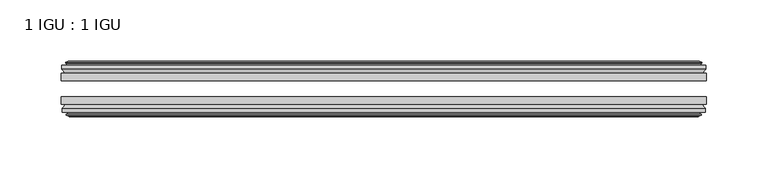
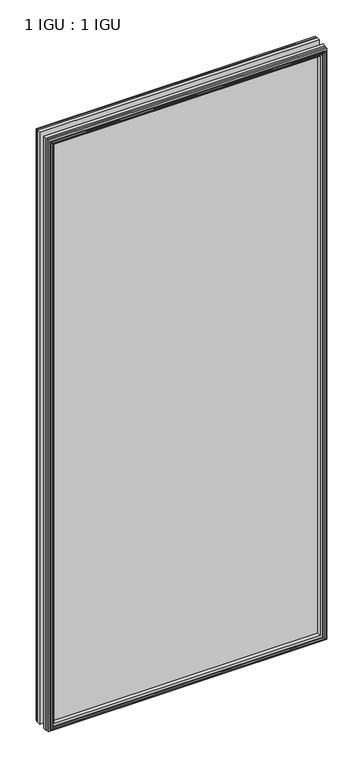
"""IFC4 building model written with IfcOpenShell, lengths in millimetres: plate geometry, 1 IGU : 1 IGU."""

from ifc_helpers import new_model, si_unit, frame, origin, place, context, project, spatial, polyline, outline, extrude, faceted_brep, source, transform, mapped, element, save


def plate_1_igu_1_igu_752a47df(model_context):
    return source(origin(), model_context, "Body", "SolidModel", [
        extrude(outline(polyline([(263.525, -25.8960937), (263.525, -32.2460938), (-263.525, -32.2460938), (-263.525, -25.8960937), (263.525, -25.8960937)])), frame((0.0, 0.0, -12.7), z_axis=(0.0, 0.0, 1.0), x_axis=(1.0, 0.0, 0.0)), (0.0, 0.0, 1.0), 1181.1),
        extrude(outline(polyline([(-263.525, -51.2960938), (-263.525, -45.2686737), (263.525, -45.2686737), (263.525, -51.2960938), (-263.525, -51.2960938)])), frame((0.0, 0.0, -12.7), z_axis=(0.0, 0.0, 1.0), x_axis=(1.0, 0.0, 0.0)), (0.0, 0.0, 1.0), 1181.1),
        faceted_brep([(-257.937, -60.0262907, 1162.812), (-258.318, -57.6460937, 1163.193), (-258.318, -57.6460937, -7.493), (-257.937, -60.0262907, -7.112), (-259.352529, -59.5663575, 1164.2275291), (-259.352529, -59.5663575, -8.5275291), (-259.352529, -60.3675717, 1164.2275291), (-259.352529, -60.3675717, -8.5275291), (-257.175, -61.0750937, 1162.05), (-257.175, -61.0750937, -6.35), (-254.9974709, -60.3675717, 1159.872471), (-254.9974709, -60.3675717, -4.1724709), (-254.9974709, -59.5663575, 1159.872471), (-254.9974709, -59.5663575, -4.1724709), (-256.413, -60.0262907, 1161.288), (-256.413, -60.0262907, -5.588), (-256.032, -57.6460937, 1160.907), (-256.032, -57.6460937, -5.207), (-249.1072819, -51.2960937, 1153.9822819), (-250.825, -57.6460937, 1155.7), (-250.825, -57.6460937, 0.0), (-249.1072819, -51.2960937, 1.7177181), (-262.763, -54.6996937, 1167.638), (-259.9286578, -51.2960937, 1164.8036578), (-259.9286578, -51.2960937, -9.1036578), (-262.763, -54.6996937, -11.938), (-262.763, -57.6460937, 1167.638), (-262.763, -57.6460937, -11.938), (258.318, -57.6460938, -7.493), (257.937, -60.0262907, -7.112), (259.352529, -59.5663575, -8.5275291), (259.352529, -60.3675717, -8.5275291), (257.175, -61.0750937, -6.35), (254.9974709, -60.3675717, -4.1724709), (254.9974709, -59.5663575, -4.1724709), (256.413, -60.0262907, -5.588), (256.032, -57.6460937, -5.207), (250.825, -57.6460937, 0.0), (249.1072819, -51.2960937, 1.7177181), (259.9286578, -51.2960937, -9.1036578), (262.763, -54.6996937, -11.938), (262.763, -57.6460938, -11.938), (258.318, -57.6460938, 1163.193), (257.937, -60.0262907, 1162.812), (259.352529, -59.5663575, 1164.2275291), (259.352529, -60.3675717, 1164.2275291), (257.175, -61.0750937, 1162.05), (254.9974709, -60.3675717, 1159.872471), (254.9974709, -59.5663575, 1159.872471), (256.413, -60.0262907, 1161.288), (256.032, -57.6460937, 1160.907), (250.825, -57.6460937, 1155.7), (249.1072819, -51.2960937, 1153.9822819), (259.9286578, -51.2960937, 1164.8036578), (262.763, -54.6996937, 1167.638), (262.763, -57.6460938, 1167.638)], [[[0, 1, 2, 3]], [[4, 0, 3, 5]], [[6, 4, 5, 7]], [[8, 6, 7, 9]], [[10, 8, 9, 11]], [[12, 10, 11, 13]], [[14, 12, 13, 15]], [[16, 14, 15, 17]], [[18, 19, 20, 21]], [[22, 23, 24, 25]], [[26, 22, 25, 27]], [[3, 2, 28, 29]], [[5, 3, 29, 30]], [[7, 5, 30, 31]], [[9, 7, 31, 32]], [[11, 9, 32, 33]], [[13, 11, 33, 34]], [[15, 13, 34, 35]], [[17, 15, 35, 36]], [[21, 20, 37, 38]], [[25, 24, 39, 40]], [[27, 25, 40, 41]], [[29, 28, 42, 43]], [[30, 29, 43, 44]], [[31, 30, 44, 45]], [[32, 31, 45, 46]], [[33, 32, 46, 47]], [[34, 33, 47, 48]], [[35, 34, 48, 49]], [[36, 35, 49, 50]], [[38, 37, 51, 52]], [[40, 39, 53, 54]], [[41, 40, 54, 55]], [[27, 41, 55, 26], [1, 42, 28, 2]], [[43, 42, 1, 0]], [[44, 43, 0, 4]], [[45, 44, 4, 6]], [[46, 45, 6, 8]], [[47, 46, 8, 10]], [[48, 47, 10, 12]], [[49, 48, 12, 14]], [[50, 49, 14, 16]], [[17, 36, 50, 16], [19, 51, 37, 20]], [[52, 51, 19, 18]], [[23, 53, 39, 24], [21, 38, 52, 18]], [[54, 53, 23, 22]], [[55, 54, 22, 26]]]),
        faceted_brep([(-260.4493578, -25.8960937, 1165.3243578), (-263.2837, -22.4924937, 1168.1587), (-263.2837, -22.4924937, -12.4587), (-260.4493578, -25.8960937, -9.6243578), (-251.3457, -19.5460937, 1156.2207), (-249.6279819, -25.8960937, 1154.5029819), (-249.6279819, -25.8960937, 1.1970181), (-251.3457, -19.5460937, -0.5207), (-256.9337, -17.1658968, 1161.8087), (-256.5527, -19.5460937, 1161.4277), (-256.5527, -19.5460937, -5.7277), (-256.9337, -17.1658968, -6.1087), (-255.5181709, -17.62583, 1160.393171), (-255.5181709, -17.62583, -4.6931709), (-255.5181709, -16.8246158, 1160.393171), (-255.5181709, -16.8246158, -4.6931709), (-257.6957, -16.1170937, 1162.5707), (-257.6957, -16.1170937, -6.8707), (-259.873229, -16.8246158, 1164.7482291), (-259.873229, -16.8246158, -9.0482291), (-259.873229, -17.62583, 1164.7482291), (-259.873229, -17.62583, -9.0482291), (-258.4577, -17.1658968, 1163.3327), (-258.4577, -17.1658968, -7.6327), (-258.8387, -19.5460937, 1163.7137), (-258.8387, -19.5460937, -8.0137), (-263.2837, -19.5460937, 1168.1587), (-263.2837, -19.5460937, -12.4587), (263.2837, -22.4924937, -12.4587), (260.4493578, -25.8960937, -9.6243578), (249.6279819, -25.8960937, 1.1970181), (251.3457, -19.5460937, -0.5207), (256.5527, -19.5460937, -5.7277), (256.9337, -17.1658968, -6.1087), (255.5181709, -17.62583, -4.6931709), (255.5181709, -16.8246158, -4.6931709), (257.6957, -16.1170937, -6.8707), (259.873229, -16.8246158, -9.0482291), (259.873229, -17.62583, -9.0482291), (258.4577, -17.1658968, -7.6327), (258.8387, -19.5460937, -8.0137), (263.2837, -19.5460937, -12.4587), (263.2837, -22.4924937, 1168.1587), (260.4493578, -25.8960937, 1165.3243578), (249.6279819, -25.8960937, 1154.5029819), (251.3457, -19.5460937, 1156.2207), (256.5527, -19.5460937, 1161.4277), (256.9337, -17.1658968, 1161.8087), (255.5181709, -17.62583, 1160.393171), (255.5181709, -16.8246158, 1160.393171), (257.6957, -16.1170937, 1162.5707), (259.873229, -16.8246158, 1164.7482291), (259.873229, -17.62583, 1164.7482291), (258.4577, -17.1658968, 1163.3327), (258.8387, -19.5460937, 1163.7137), (263.2837, -19.5460937, 1168.1587)], [[[0, 1, 2, 3]], [[4, 5, 6, 7]], [[8, 9, 10, 11]], [[12, 8, 11, 13]], [[14, 12, 13, 15]], [[16, 14, 15, 17]], [[18, 16, 17, 19]], [[20, 18, 19, 21]], [[22, 20, 21, 23]], [[24, 22, 23, 25]], [[1, 26, 27, 2]], [[3, 2, 28, 29]], [[7, 6, 30, 31]], [[11, 10, 32, 33]], [[13, 11, 33, 34]], [[15, 13, 34, 35]], [[17, 15, 35, 36]], [[19, 17, 36, 37]], [[21, 19, 37, 38]], [[23, 21, 38, 39]], [[25, 23, 39, 40]], [[2, 27, 41, 28]], [[29, 28, 42, 43]], [[31, 30, 44, 45]], [[33, 32, 46, 47]], [[34, 33, 47, 48]], [[35, 34, 48, 49]], [[36, 35, 49, 50]], [[37, 36, 50, 51]], [[38, 37, 51, 52]], [[39, 38, 52, 53]], [[40, 39, 53, 54]], [[28, 41, 55, 42]], [[43, 42, 1, 0]], [[3, 29, 43, 0], [5, 44, 30, 6]], [[45, 44, 5, 4]], [[9, 46, 32, 10], [7, 31, 45, 4]], [[47, 46, 9, 8]], [[48, 47, 8, 12]], [[49, 48, 12, 14]], [[50, 49, 14, 16]], [[51, 50, 16, 18]], [[52, 51, 18, 20]], [[53, 52, 20, 22]], [[54, 53, 22, 24]], [[26, 55, 41, 27], [25, 40, 54, 24]], [[42, 55, 26, 1]]]),
    ])


if __name__ == "__main__":
    model = new_model("IFC4")
    model_context = context("Model", 3, world=origin())
    ifc_project = project(units=[si_unit("LENGTHUNIT", "METRE", prefix="MILLI")], contexts=[model_context])
    site = spatial("IfcSite", under=ifc_project)
    building = spatial("IfcBuilding", under=site)
    placement = place(None, origin())
    plate_1_igu_1_igu_shape = plate_1_igu_1_igu_752a47df(model_context)
    element("IfcPlate", 1, ObjectType="1 IGU : 1 IGU", at=placement, inside=building, context=model_context, shape_type="MappedRepresentation", body=[
        mapped(plate_1_igu_1_igu_shape, transform((0.0, 0.0, 0.0), x_axis=(1.0, 0.0, 0.0), y_axis=(0.0, 1.0, 0.0), z_axis=(0.0, 0.0, 1.0))),
    ])
    save(model, "model.ifc")
